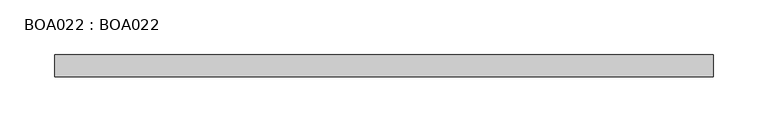
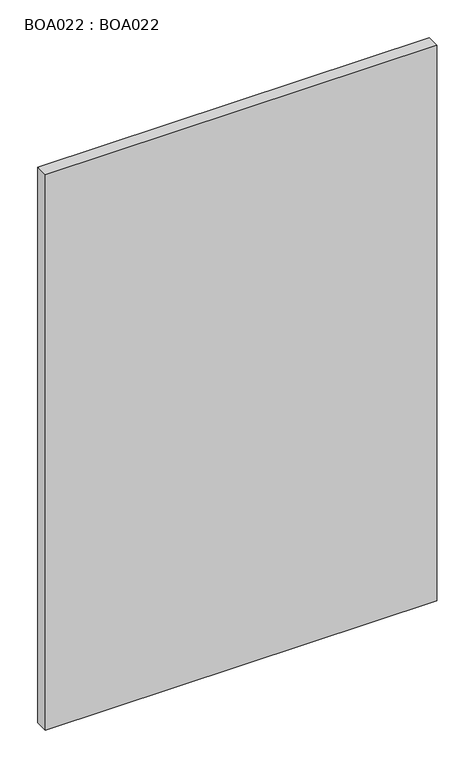
"""IFC4 building model written with IfcOpenShell, lengths in millimetres: proxy geometry, BOA022 : BOA022."""

from ifc_helpers import new_model, si_unit, frame, origin, place, context, project, spatial, polyline, outline, extrude, source, transform, mapped, element, save


def boa022_boa022_44342ec6(model_context):
    return source(origin(), model_context, "Body", "SweptSolid", [
        extrude(outline(polyline([(600.0000046, -20.0000011), (0.0, -20.0000011), (0.0, 0.0), (600.0000046, 0.0), (600.0000046, -20.0000011)])), frame((0.0, 0.0, 0.2426502), z_axis=(0.0, 0.0, 1.0), x_axis=(1.0, 0.0, 0.0)), (0.0, 0.0, 1.0), 899.7573498),
    ])


if __name__ == "__main__":
    model = new_model("IFC4")
    model_context = context("Model", 3, world=origin())
    ifc_project = project(units=[si_unit("LENGTHUNIT", "METRE", prefix="MILLI")], contexts=[model_context])
    site = spatial("IfcSite", under=ifc_project)
    building = spatial("IfcBuilding", under=site)
    placement = place(None, origin())
    boa022_boa022_shape = boa022_boa022_44342ec6(model_context)
    element("IfcBuildingElementProxy", 1, Name="BOA022 : BOA022", ObjectType="BOA022 : BOA022", at=placement, inside=building, context=model_context, shape_type="MappedRepresentation", body=[
        mapped(boa022_boa022_shape, transform((0.0, 0.0, 0.0), x_axis=(1.0, 0.0, 0.0), y_axis=(0.0, 1.0, 0.0), z_axis=(0.0, 0.0, 1.0))),
    ])
    save(model, "model.ifc")
